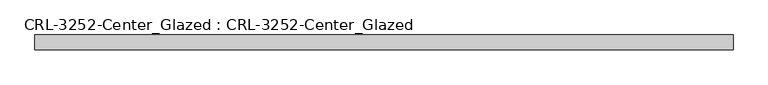
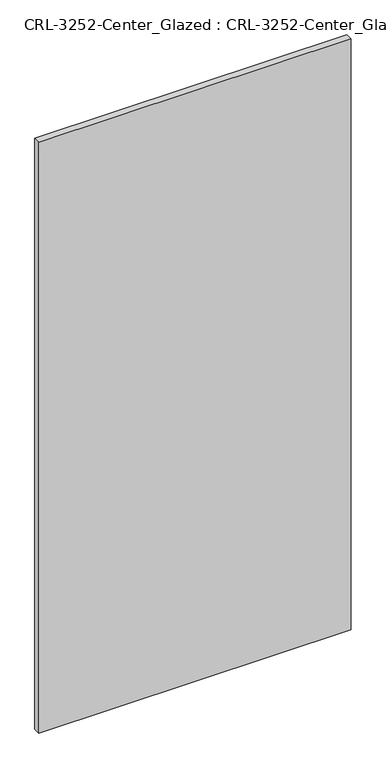
"""IFC4 building model written with IfcOpenShell, lengths in millimetres: plate geometry, CRL-3252-Center_Glazed : CRL-3252-Center_Glazed."""

from ifc_helpers import new_model, si_unit, origin, origin_with_axes, place, context, project, spatial, polyline, outline, extrude, source, transform, mapped, element, save


def crl_3252_center_glazed_crl_3252_center_glazed_04d86251(model_context):
    return source(origin(), model_context, "Body", "SweptSolid", [
        extrude(outline(polyline([(600.0665461, 12.7), (600.0665461, -12.7), (-600.0665461, -12.7), (-600.0665461, 12.7), (600.0665461, 12.7)])), origin_with_axes(), (0.0, 0.0, 1.0), 2400.0002773),
    ])


if __name__ == "__main__":
    model = new_model("IFC4")
    model_context = context("Model", 3, world=origin())
    ifc_project = project(units=[si_unit("LENGTHUNIT", "METRE", prefix="MILLI")], contexts=[model_context])
    site = spatial("IfcSite", under=ifc_project)
    building = spatial("IfcBuilding", under=site)
    placement = place(None, origin())
    crl_3252_center_glazed_crl_3252_center_glazed_shape = crl_3252_center_glazed_crl_3252_center_glazed_04d86251(model_context)
    element("IfcPlate", 1, ObjectType="CRL-3252-Center_Glazed : CRL-3252-Center_Glazed", at=placement, inside=building, context=model_context, shape_type="MappedRepresentation", body=[
        mapped(crl_3252_center_glazed_crl_3252_center_glazed_shape, transform((0.0, 0.0, 0.0), x_axis=(1.0, 0.0, 0.0), y_axis=(0.0, 1.0, 0.0), z_axis=(0.0, 0.0, 1.0))),
    ])
    save(model, "model.ifc")
